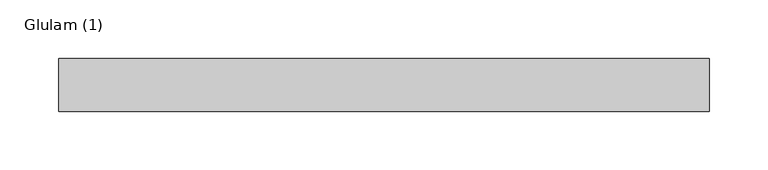
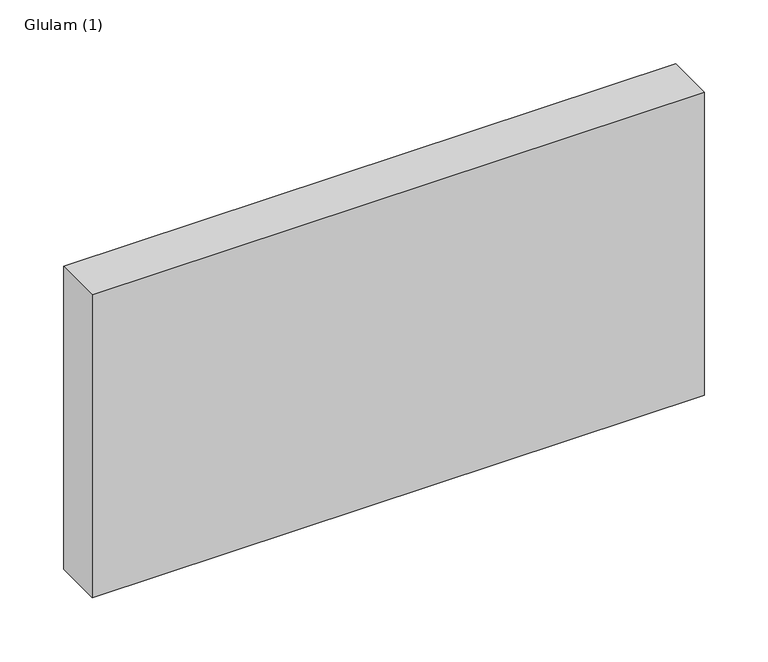
"""IFC4 building model written with IfcOpenShell, lengths in millimetres: beam geometry, Glulam (1)."""

from ifc_helpers import new_model, si_unit, frame, origin, place, context, project, spatial, polyline, outline, extrude, source, transform, mapped, element, save


def glulam_1_b2c3c636(model_context):
    return source(origin(), model_context, "Body", "SweptSolid", [
        extrude(outline(polyline([(277.0, 22.5), (277.0, -22.5), (-277.0, -22.5), (-277.0, 22.5), (277.0, 22.5)])), frame((0.0, 0.0, -145.0), z_axis=(0.0, 0.0, 1.0), x_axis=(1.0, 0.0, 0.0)), (0.0, 0.0, 1.0), 290.0),
    ])


if __name__ == "__main__":
    model = new_model("IFC4")
    model_context = context("Model", 3, world=origin())
    ifc_project = project(units=[si_unit("LENGTHUNIT", "METRE", prefix="MILLI")], contexts=[model_context])
    site = spatial("IfcSite", under=ifc_project)
    building = spatial("IfcBuilding", under=site)
    placement = place(None, origin())
    glulam_1_shape = glulam_1_b2c3c636(model_context)
    element("IfcBeam", 1, ObjectType="Glulam (1)", at=placement, inside=building, context=model_context, shape_type="MappedRepresentation", body=[
        mapped(glulam_1_shape, transform((0.0, 0.0, 0.0), x_axis=(1.0, 0.0, 0.0), y_axis=(0.0, 1.0, 0.0), z_axis=(0.0, 0.0, 1.0))),
    ])
    save(model, "model.ifc")
